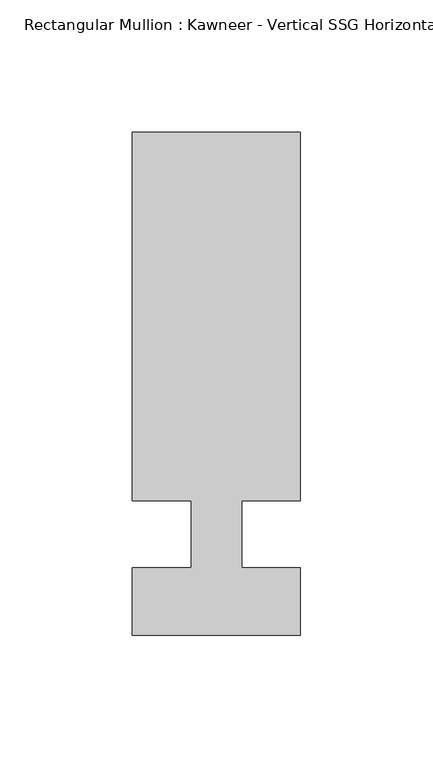
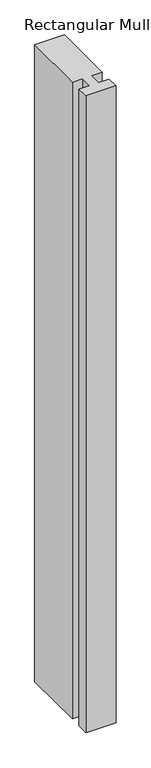
"""IFC4 building model written with IfcOpenShell, lengths in millimetres: member geometry."""

import ifcopenshell
import ifcopenshell.guid

model = None  # the IFC model being written
_history = None  # IfcOwnerHistory: only IFC2X3 demands one
_inside = {}  # id of a spatial element -> (the spatial element, [elements in it])
_under = {}  # id of a project, library or spatial element -> (it, [spatial elements below it])
_declared = {}  # id of a project -> (the project, [libraries it declares])
_typed = {}  # id of a type object -> (the type object, [elements of that type])
_made_of = {}  # id of a material, layer set ... -> (it, [elements and type objects made of it])


def new_model(schema):
    """Start an empty IFC model of exactly this schema.

    Asked for "IFC4X3", IfcOpenShell would pick the latest addendum, in which some entities
    have other attributes; the version numbers below select the first issue.
    IFC2X3 requires an IfcOwnerHistory on every rooted entity: one is made here for all.
    """
    global model, _history
    if schema == "IFC4X3":
        model = ifcopenshell.file(schema_version=(4, 3, 0, 0))
    else:
        model = ifcopenshell.file(schema=schema)
    _inside.clear()
    _under.clear()
    _declared.clear()
    _typed.clear()
    _made_of.clear()
    _history = None
    if model.schema == "IFC2X3":
        org = make("IfcOrganization", Name="unknown")
        user = make(
            "IfcPersonAndOrganization",
            ThePerson=make("IfcPerson", FamilyName="unknown"),
            TheOrganization=org,
        )
        app = make(
            "IfcApplication",
            ApplicationDeveloper=org,
            Version="unknown",
            ApplicationFullName="unknown",
            ApplicationIdentifier="unknown",
        )
        _history = make(
            "IfcOwnerHistory",
            OwningUser=user,
            OwningApplication=app,
            ChangeAction="ADDED",
            CreationDate=0,
        )
    return model


def make(cls, **values):
    """One entity of the class cls with the attributes given. An attribute that is None is left unset."""
    return model.create_entity(
        cls, **{name: value for name, value in values.items() if value is not None}
    )


def rooted(cls, **values):
    """An entity with a GlobalId (a new one), such as an element, a storey or a relation."""
    return make(cls, GlobalId=ifcopenshell.guid.new(), OwnerHistory=_history, **values)


def si_unit(unit_type, name, prefix=None):
    """IfcSIUnit, for example si_unit("LENGTHUNIT", "METRE", prefix="MILLI")."""
    return make("IfcSIUnit", UnitType=unit_type, Prefix=prefix, Name=name)


def assignment(units):
    """IfcUnitAssignment: the units of a project."""
    return None if units is None else make("IfcUnitAssignment", Units=units)


def point(xyz):
    """IfcCartesianPoint."""
    return None if xyz is None else make("IfcCartesianPoint", Coordinates=xyz)


def direction(xyz):
    """IfcDirection."""
    return None if xyz is None else make("IfcDirection", DirectionRatios=xyz)


def frame(location, z_axis=None, x_axis=None):
    """IfcAxis2Placement3D, a coordinate frame: its origin and axes. An axis left out is left unset."""
    return make(
        "IfcAxis2Placement3D",
        Location=point(location),
        Axis=direction(z_axis),
        RefDirection=direction(x_axis),
    )


def origin():
    """The frame at (0, 0, 0) with its axes left unset."""
    return frame((0.0, 0.0, 0.0))


def place(relative_to, where):
    """IfcLocalPlacement: puts the frame where relative to a parent placement (None: the world)."""
    return make(
        "IfcLocalPlacement", PlacementRelTo=relative_to, RelativePlacement=where
    )


def context(
    kind, dimensions, precision=None, world=None, true_north=None, identifier=None
):
    """IfcGeometricRepresentationContext, for example the 3D "Model" context."""
    return make(
        "IfcGeometricRepresentationContext",
        ContextIdentifier=identifier,
        ContextType=kind,
        CoordinateSpaceDimension=dimensions,
        Precision=precision,
        WorldCoordinateSystem=world,
        TrueNorth=true_north,
    )


def project(units=None, contexts=None):
    """IfcProject with its units and contexts."""
    return rooted(
        "IfcProject",
        Name="project",
        RepresentationContexts=contexts,
        UnitsInContext=assignment(units),
    )


def spatial(cls, under=None, at=None, **own):
    """A site, building, storey or space (cls), placed at a placement, below another one or the project."""
    s = rooted(cls, ObjectPlacement=at, **own)
    if under is not None:
        _under.setdefault(under.id(), (under, []))[1].append(s)
    return s


def polyline(points):
    """IfcPolyline through the points."""
    return make("IfcPolyline", Points=[point(p) for p in points])


def outline(outer, holes=None, kind="AREA"):
    """IfcArbitraryClosedProfileDef: a profile drawn as a closed curve; with holes, ...WithVoids."""
    if holes is None:
        return make("IfcArbitraryClosedProfileDef", ProfileType=kind, OuterCurve=outer)
    return make(
        "IfcArbitraryProfileDefWithVoids",
        ProfileType=kind,
        OuterCurve=outer,
        InnerCurves=holes,
    )


def extrude(swept, where, along, depth):
    """IfcExtrudedAreaSolid: the profile swept, set in the frame where, extruded along a direction by depth."""
    return make(
        "IfcExtrudedAreaSolid",
        SweptArea=swept,
        Position=where,
        ExtrudedDirection=direction(along),
        Depth=depth,
    )


def shape(context_of_items, identifier, shape_type, items):
    """IfcShapeRepresentation: the items that make up one representation, for example the "Body"."""
    return make(
        "IfcShapeRepresentation",
        ContextOfItems=context_of_items,
        RepresentationIdentifier=identifier,
        RepresentationType=shape_type,
        Items=items,
    )


def source(mapping_origin, context_of_items, identifier, shape_type, items):
    """IfcRepresentationMap: a shape defined once, which mapped items show again and again."""
    return make(
        "IfcRepresentationMap",
        MappingOrigin=mapping_origin,
        MappedRepresentation=shape(context_of_items, identifier, shape_type, items),
    )


def transform(
    local_origin,
    x_axis=None,
    y_axis=None,
    z_axis=None,
    scale=None,
    scale2=None,
    scale3=None,
    uniform=True,
):
    """IfcCartesianTransformationOperator3D, or its non-uniform kind. x_axis, y_axis, z_axis: its Axis1, 2, 3."""
    if uniform:
        return make(
            "IfcCartesianTransformationOperator3D",
            Axis1=direction(x_axis),
            Axis2=direction(y_axis),
            LocalOrigin=point(local_origin),
            Scale=scale,
            Axis3=direction(z_axis),
        )
    return make(
        "IfcCartesianTransformationOperator3DnonUniform",
        Axis1=direction(x_axis),
        Axis2=direction(y_axis),
        LocalOrigin=point(local_origin),
        Scale=scale,
        Axis3=direction(z_axis),
        Scale2=scale2,
        Scale3=scale3,
    )


def mapped(mapping_source, mapping_target):
    """IfcMappedItem: shows the shape of a source again, moved by a transform."""
    return make(
        "IfcMappedItem", MappingSource=mapping_source, MappingTarget=mapping_target
    )


def made_of(thing, what):
    """Note that an element or type object is made of a material, layer set ...; save() writes the relation."""
    if what is not None:
        _made_of.setdefault(what.id(), (what, []))[1].append(thing)
    return thing


def element(
    cls,
    number,
    at=None,
    inside=None,
    cuts=None,
    type_object=None,
    material=None,
    context=None,
    identifier="Body",
    shape_type=None,
    held_by="IfcProductDefinitionShape",
    body=None,
    shapes=None,
    **own,
):
    """One element of the class cls, such as IfcWall. Its Tag is "e" and its number.

    at: its placement. inside: the storey or other place that contains it. cuts: it is an
    opening in that element (IfcRelVoidsElement). A single representation is given by context,
    identifier, shape_type and body (its items); several are given by shapes. held_by: the class
    of the entity that holds the representations. save() writes the other relations.
    """
    e = rooted(cls, Tag="e%d" % number, ObjectPlacement=at, **own)
    if body is not None:
        shapes = [shape(context, identifier, shape_type, body)]
    if shapes is not None:
        e.Representation = make(held_by, Representations=shapes)
    if inside is not None:
        _inside.setdefault(inside.id(), (inside, []))[1].append(e)
    if cuts is not None:
        rooted(
            "IfcRelVoidsElement", RelatingBuildingElement=cuts, RelatedOpeningElement=e
        )
    if type_object is not None:
        _typed.setdefault(type_object.id(), (type_object, []))[1].append(e)
    return made_of(e, material)


def aggregate(whole, parts):
    """IfcRelAggregates: a whole, such as a stair, and the parts it consists of."""
    return rooted("IfcRelAggregates", RelatingObject=whole, RelatedObjects=parts)


def save(model, path):
    """Write the relations noted so far, then the file.

    IfcRelAggregates (storeys below a building ...), IfcRelContainedInSpatialStructure (elements
    in a storey), IfcRelDefinesByType, IfcRelAssociatesMaterial and IfcRelDeclares: one each for
    every whole, place, type object, material and project.
    """
    for whole, parts in _under.values():
        aggregate(whole, parts)
    for where, things in _inside.values():
        rooted(
            "IfcRelContainedInSpatialStructure",
            RelatedElements=things,
            RelatingStructure=where,
        )
    for kind, things in _typed.values():
        rooted("IfcRelDefinesByType", RelatedObjects=things, RelatingType=kind)
    for what, things in _made_of.values():
        rooted("IfcRelAssociatesMaterial", RelatedObjects=things, RelatingMaterial=what)
    for by, libraries in _declared.values():
        rooted("IfcRelDeclares", RelatingContext=by, RelatedDefinitions=libraries)
    model.write(path)


def member_13f90ae3(model_context):
    return source(origin(), model_context, "Body", "SweptSolid", [
        extrude(outline(polyline([(-9.525, -12.7), (-9.525, 12.7), (-31.75, 12.7), (-31.75, 151.892), (31.75, 151.892), (31.75, 12.7), (9.5251132, 12.7), (9.5251132, -12.7), (31.75, -12.7), (31.75, -38.1), (-31.75, -38.1), (-31.75, -12.7), (-9.525, -12.7)])), frame((0.0, 0.0, -1437.1912663), z_axis=(0.0, 0.0, 1.0), x_axis=(1.0, 0.0, 0.0)), (0.0, 0.0, 1.0), 1437.1912663),
    ])


if __name__ == "__main__":
    model = new_model("IFC4")
    model_context = context("Model", 3, world=origin())
    ifc_project = project(units=[si_unit("LENGTHUNIT", "METRE", prefix="MILLI")], contexts=[model_context])
    site = spatial("IfcSite", under=ifc_project)
    building = spatial("IfcBuilding", under=site)
    placement = place(None, origin())
    member_shape = member_13f90ae3(model_context)
    element("IfcMember", 1, ObjectType="Rectangular Mullion : Kawneer - Vertical SSG Horizontal Mullion - 7 1/2\"", at=placement, inside=building, context=model_context, shape_type="MappedRepresentation", body=[
        mapped(member_shape, transform((0.0, 0.0, 0.0), x_axis=(1.0, 0.0, 0.0), y_axis=(0.0, 1.0, 0.0), z_axis=(0.0, 0.0, 1.0))),
    ])
    save(model, "model.ifc")
